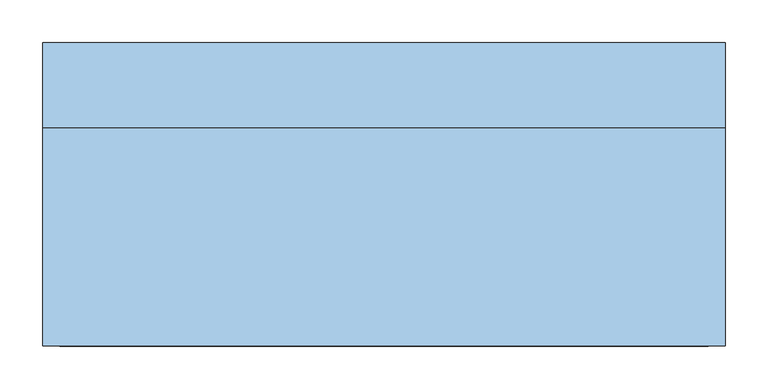
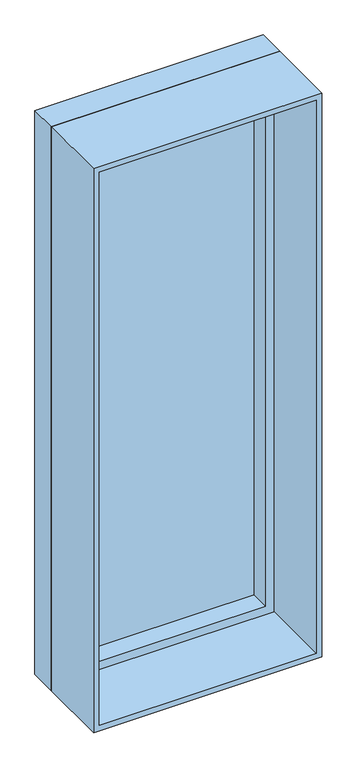
"""IFC4 building model written with IfcOpenShell, lengths in millimetres: window geometry."""

from ifc_helpers import new_model, si_unit, frame, origin, place, context, project, spatial, polyline, outline, extrude, source, transform, mapped, element, save


def window_4d3694a2(model_context):
    return source(origin(), model_context, "Body", "SweptSolid", [
        extrude(outline(polyline([(3000.0, -442.3982693), (910.0, -442.3982693), (910.0, 357.6017307), (3000.0, 357.6017307), (3000.0, -442.3982693)]), holes=[polyline([(2950.0, 307.6017307), (960.0, 307.6017307), (960.0, -392.3982693), (2950.0, -392.3982693), (2950.0, 307.6017307)])]), frame((0.0, 48.0, 0.0), z_axis=(0.0, 1.0, 0.0), x_axis=(0.0, 0.0, 1.0)), (0.0, 0.0, 1.0), 100.0),
        extrude(outline(polyline([(-392.3982693, 128.0), (307.6017307, 128.0), (307.6017307, 118.0), (-392.3982693, 118.0), (-392.3982693, 128.0)])), frame((0.0, 0.0, 960.0), z_axis=(0.0, 0.0, 1.0), x_axis=(1.0, 0.0, 0.0)), (0.0, 0.0, 1.0), 1990.0),
        extrude(outline(polyline([(910.0, 357.6017307), (3000.0, 357.6017307), (3000.0, -442.3982693), (910.0, -442.3982693), (910.0, 357.6017307)]), holes=[polyline([(2980.0, 337.6017307), (930.0, 337.6017307), (930.0, -422.3982693), (2980.0, -422.3982693), (2980.0, 337.6017307)])]), frame((0.0, -208.0, 0.0), z_axis=(0.0, 1.0, 0.0), x_axis=(0.0, 0.0, 1.0)), (0.0, 0.0, 1.0), 256.0),
    ])


if __name__ == "__main__":
    model = new_model("IFC4")
    model_context = context("Model", 3, world=origin())
    ifc_project = project(units=[si_unit("LENGTHUNIT", "METRE", prefix="MILLI")], contexts=[model_context])
    site = spatial("IfcSite", under=ifc_project)
    building = spatial("IfcBuilding", under=site)
    placement = place(None, origin())
    window_shape = window_4d3694a2(model_context)
    element("IfcWindow", 1, at=placement, inside=building, context=model_context, shape_type="MappedRepresentation", body=[
        mapped(window_shape, transform((0.0, 0.0, 0.0), x_axis=(1.0, 0.0, 0.0), y_axis=(0.0, 1.0, 0.0), z_axis=(0.0, 0.0, 1.0))),
    ])
    save(model, "model.ifc")
